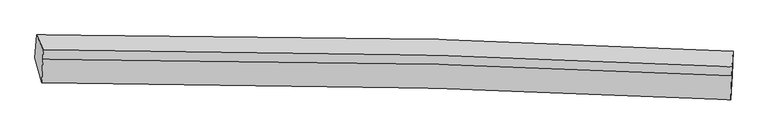
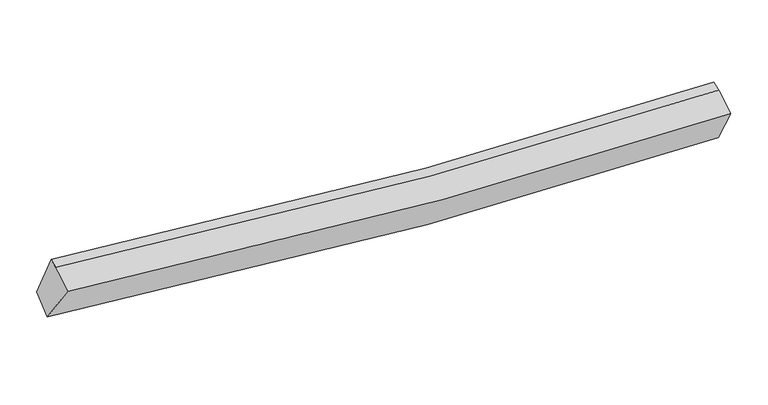
"""IFC4 building model written with IfcOpenShell, lengths in millimetres: proxy geometry."""

from ifc_helpers import new_model, si_unit, frame, origin, place, context, project, spatial, source, transform, mapped, element, save
from ifc_brep_helpers import plane_surface, spline_curve, spline_surface, advanced_brep


def generic_models_9fc9dac2(model_context):
    return source(origin(), model_context, "Body", "AdvancedBrep", [
        advanced_brep(
        [(-4863.96291, -1957.7926863, 2954.4404443), (-4838.711206, -1628.6971345, 3150.3399735), (5207.2925666, -1860.6700929, 2625.1117284), (5194.2776114, -2204.5208847, 2470.8392549), (-4768.4807433, -2321.8158565, 3554.6158712), (5174.8409529, -2566.9201983, 3079.2217081), (-4747.8409357, -1976.2615693, 3721.4280207), (5187.8334268, -2221.2578507, 3246.5799985), (-4742.7283879, -1843.9275745, 3766.8325982), (5192.9459747, -2088.9238559, 3291.984576)],
        [
            (0, 1),
            (1, 2, spline_curve(3, [(-4838.711206, -1628.6971345, 3150.3399735), (-2933.22386438, -1617.972582157, 2884.634312311), (-1025.047093398, -1638.526858543, 2713.527479372), (2324.785152577, -1729.392563105, 2579.405591117), (3765.276305083, -1786.16260685, 2575.436342563), (5207.2925666, -1860.6700929, 2625.1117284)], [4, 2, 4], [0.0, 18.862512271129347, 33.066811166422504])),
            (2, 3),
            (3, 0, spline_curve(3, [(5194.2776114, -2204.5208847, 2470.8392549), (3752.299512099, -2131.564944635, 2425.681633446), (2311.077466252, -2074.772389482, 2429.667569532), (-1042.246572155, -1980.189962119, 2553.35005167), (-2953.771367223, -1954.739784288, 2710.564511917), (-4863.96291, -1957.7926863, 2954.4404443)], [4, 2, 4], [0.0, 14.204298895293157, 33.066811166422504])),
            (4, 0),
            (3, 5),
            (5, 4, spline_curve(3, [(5174.8409529, -2566.9201983, 3079.2217081), (3746.33799947, -2494.585847941, 3034.358443726), (2319.871129321, -2438.247751282, 3038.007491772), (-996.123853685, -2344.334203664, 3159.436213095), (-2884.09754865, -2318.970853122, 3314.251886705), (-4768.4807433, -2321.8158565, 3554.6158712)], [4, 2, 4], [0.0, 14.1297144554565, 32.8931827736231])),
            (6, 4),
            (5, 7),
            (7, 6, spline_curve(3, [(5187.8334268, -2221.2578507, 3246.5799985), (3760.22718408, -2148.964864347, 3201.736322263), (2334.742204422, -2092.65701017, 3205.362951942), (-978.768695981, -1998.7879731, 3326.641695548), (-2865.175171083, -1973.43040045, 3481.297740615), (-4747.8409357, -1976.2615693, 3721.4280207)], [4, 2, 4], [0.0, 14.043049850524529, 32.69143243400953])),
            (8, 6),
            (7, 9),
            (9, 8, spline_curve(3, [(5192.9459747, -2088.9238559, 3291.984576), (3765.339731926, -2016.630869913, 3247.140899665), (2339.854752355, -1960.323015035, 3250.767529201), (-973.656148358, -1866.453978513, 3372.046273369), (-2860.062623059, -1841.096405908, 3526.702317861), (-4742.7283879, -1843.9275745, 3766.8325982)], [4, 2, 4], [0.0, 14.037642549135683, 32.678844539650015])),
            (1, 8),
            (9, 2),
        ],
        [
            spline_surface(3, 3, [[(-4863.96291, -1957.7926863, 2954.4404443), (-2953.771367142, -1954.739783998, 2710.564512123), (-1042.246572229, -1980.189962, 2553.350051851), (2311.077466308, -2074.772389572, 2429.667569396), (3752.299511882, -2131.564944424, 2425.681633227), (5194.2776114, -2204.5208847, 2470.8392549)], [(-4855.545675321, -1848.094169006, 3019.740287362), (-2946.922199576, -1842.484050084, 2768.587778888), (-1036.513412524, -1866.302260795, 2606.742527653), (2315.646694989, -1959.645780792, 2479.580243287), (3756.625109665, -2016.430831832, 2475.599869666), (5198.615929806, -2089.903954098, 2522.26341272)], [(-4847.128440679, -1738.395651794, 3085.040130438), (-2940.073032048, -1730.228316252, 2826.611045665), (-1030.780252811, -1752.414559587, 2660.135003532), (2320.215923676, -1844.519172007, 2529.492917255), (3760.950707431, -1901.296719245, 2525.518106146), (5202.954248194, -1975.287023502, 2573.68757058)], [(-4838.711206, -1628.6971345, 3150.3399735), (-2933.223864481, -1617.972582338, 2884.63431243), (-1025.047093105, -1638.526858382, 2713.527479333), (2324.785152356, -1729.392563226, 2579.405591145), (3765.276305214, -1786.162606652, 2575.436342585), (5207.2925666, -1860.6700929, 2625.1117284)]], [4, 4], [4, 2, 4], [0.0, 1.2380563623358307], [0.0, 18.862512271129347, 33.066811166422504]),
            spline_surface(3, 3, [[(-4768.4807433, -2321.8158565, 3554.6158712), (-2884.097548397, -2318.97085297, 3314.251886434), (-996.123853407, -2344.334203572, 3159.436213378), (2319.871129112, -2438.247751352, 3038.007491559), (3746.33799949, -2494.585848045, 3034.358443564), (5174.8409529, -2566.9201983, 3079.2217081)], [(-4800.308132201, -2200.474799781, 3354.557395579), (-2907.322154646, -2197.56049666, 3113.022761676), (-1011.498093027, -2222.952789696, 2957.407492872), (2316.939908165, -2317.089297406, 2835.227517508), (3748.32517026, -2373.578880173, 2831.466173442), (5181.31983904, -2446.120427102, 2876.427557024)], [(-4832.135521099, -2079.133743019, 3154.498919921), (-2930.546760893, -2076.150140307, 2911.793636882), (-1026.87233261, -2101.571375876, 2755.378772357), (2314.008687255, -2195.930843518, 2632.447543447), (3750.312341111, -2252.571912296, 2628.573903349), (5187.79872526, -2325.320655898, 2673.633405976)], [(-4863.96291, -1957.7926863, 2954.4404443), (-2953.771367142, -1954.739783998, 2710.564512123), (-1042.246572229, -1980.189962, 2553.350051851), (2311.077466308, -2074.772389572, 2429.667569396), (3752.299511882, -2131.564944424, 2425.681633227), (5194.2776114, -2204.5208847, 2470.8392549)]], [4, 4], [4, 2, 4], [0.0, 2.323969446329221], [0.0, 18.763468318166602, 32.8931827736231]),
            spline_surface(3, 3, [[(-4747.8409357, -1976.2615693, 3721.4280207), (-2865.175170896, -1973.430400503, 3481.297740323), (-978.768696229, -1998.787973242, 3326.641695848), (2334.742204609, -2092.657010064, 3205.362951717), (3760.227184081, -2148.96486448, 3201.736322115), (5187.8334268, -2221.2578507, 3246.5799985)], [(-4754.720871571, -2091.446331689, 3665.823970877), (-2871.482630067, -2088.610551314, 3425.615789037), (-984.55374862, -2113.970050042, 3270.906535042), (2329.785179445, -2207.85392385, 3149.577798349), (3755.597455883, -2264.171858987, 3145.943695946), (5183.502602165, -2336.478633219, 3190.793901714)], [(-4761.600807429, -2206.631094111, 3610.219921023), (-2877.790089226, -2203.790702158, 3369.93383772), (-990.338801016, -2229.152126771, 3215.171374183), (2324.828154276, -2323.050837565, 3093.792644927), (3750.967727688, -2379.378853538, 3090.151069734), (5179.171777535, -2451.699415781, 3135.007804886)], [(-4768.4807433, -2321.8158565, 3554.6158712), (-2884.097548397, -2318.97085297, 3314.251886434), (-996.123853407, -2344.334203572, 3159.436213378), (2319.871129112, -2438.247751352, 3038.007491559), (3746.33799949, -2494.585848045, 3034.358443564), (5174.8409529, -2566.9201983, 3079.2217081)]], [4, 4], [4, 2, 4], [0.0, 1.26071231620279], [0.0, 18.648382583485, 32.69143243400953]),
            spline_surface(3, 3, [[(-4742.7283879, -1843.9275745, 3766.8325982), (-2860.062623096, -1841.096405703, 3526.702317823), (-973.656148429, -1866.453978342, 3372.046273348), (2339.854752409, -1960.323015164, 3250.767529217), (3765.339731981, -2016.63086968, 3247.140899615), (5192.9459747, -2088.9238559, 3291.984576)], [(-4744.432570513, -1888.038906115, 3751.697739014), (-2861.766805709, -1885.207737318, 3511.567458637), (-975.360331042, -1910.565309956, 3356.911414162), (2338.150569796, -2004.434346778, 3235.632670031), (3763.635549368, -2060.742201295, 3232.006040429), (5191.241792087, -2133.035187515, 3276.849716814)], [(-4746.136753087, -1932.150237685, 3736.562879886), (-2863.470988283, -1929.319068888, 3496.432599509), (-977.064513616, -1954.676641627, 3341.776555033), (2336.446387221, -2048.545678449, 3220.497810902), (3761.931366694, -2104.853532865, 3216.871181301), (5189.537609413, -2177.146519085, 3261.714857686)], [(-4747.8409357, -1976.2615693, 3721.4280207), (-2865.175170896, -1973.430400503, 3481.297740323), (-978.768696229, -1998.787973242, 3326.641695848), (2334.742204609, -2092.657010064, 3205.362951717), (3760.227184081, -2148.96486448, 3201.736322115), (5187.8334268, -2221.2578507, 3246.5799985)]], [4, 4], [4, 2, 4], [0.0, 0.4593175853018379], [0.0, 18.641201990514332, 32.678844539650015]),
            spline_surface(3, 3, [[(-4838.711206, -1628.6971345, 3150.3399735), (-2933.223864481, -1617.972582338, 2884.63431243), (-1025.047093105, -1638.526858382, 2713.527479333), (2324.785152356, -1729.392563226, 2579.405591145), (3765.276305214, -1786.162606652, 2575.436342585), (5207.2925666, -1860.6700929, 2625.1117284)], [(-4806.716933295, -1700.440614509, 3355.837515067), (-2908.836784015, -1692.347190135, 3098.656980895), (-1007.916778187, -1714.502565047, 2933.033744028), (2329.8083524, -1806.369380551, 2803.19290386), (3765.297447471, -1862.985360994, 2799.337861623), (5202.510369302, -1936.754680566, 2847.402677628)], [(-4774.722660605, -1772.184094491, 3561.335056633), (-2884.449703563, -1766.721797905, 3312.679649358), (-990.786463347, -1790.478271677, 3152.540008653), (2334.831552365, -1883.346197839, 3026.980216503), (3765.318589723, -1939.808115338, 3023.239380577), (5197.728171998, -2012.839268234, 3069.693626772)], [(-4742.7283879, -1843.9275745, 3766.8325982), (-2860.062623096, -1841.096405703, 3526.702317823), (-973.656148429, -1866.453978342, 3372.046273348), (2339.854752409, -1960.323015164, 3250.767529217), (3765.339731981, -2016.63086968, 3247.140899615), (5192.9459747, -2088.9238559, 3291.984576)]], [4, 4], [4, 2, 4], [0.0, 2.3037070760873823], [0.0, 18.74742734111022, 32.86506223741753]),
            plane_surface(frame((5191.4381065, -2188.4585765, 2942.7474532), z_axis=(0.9991257717527258, -0.041143062617299477, 0.007412193871541073), x_axis=(-0.03381118037048544, -0.8995401543472673, -0.4355276280545808))),
            plane_surface(frame((-4792.3448366, -1945.6989642, 3429.5313816), z_axis=(-0.9886945782014336, -0.013054234559805561, 0.1493740874286666), x_axis=(-0.06579040395303293, -0.8574205235621629, -0.5103936407539608))),
        ],
        [
            (0, [[1, 2, 3, 4]]),
            (1, [[5, -4, 6, 7]]),
            (2, [[8, -7, 9, 10]]),
            (3, [[11, -10, 12, 13]]),
            (4, [[14, -13, 15, -2]]),
            (5, [[-9, -6, -3, -15, -12]]),
            (6, [[-1, -5, -8, -11, -14]]),
        ],
    ),
    ])


if __name__ == "__main__":
    model = new_model("IFC4")
    model_context = context("Model", 3, world=origin())
    ifc_project = project(units=[si_unit("LENGTHUNIT", "METRE", prefix="MILLI")], contexts=[model_context])
    site = spatial("IfcSite", under=ifc_project)
    building = spatial("IfcBuilding", under=site)
    placement = place(None, origin())
    generic_models_shape = generic_models_9fc9dac2(model_context)
    element("IfcBuildingElementProxy", 1, Name="Generic Models", at=placement, inside=building, context=model_context, shape_type="MappedRepresentation", body=[
        mapped(generic_models_shape, transform((0.0, 0.0, 0.0), x_axis=(1.0, 0.0, 0.0), y_axis=(0.0, 1.0, 0.0), z_axis=(0.0, 0.0, 1.0))),
    ])
    save(model, "model.ifc")
